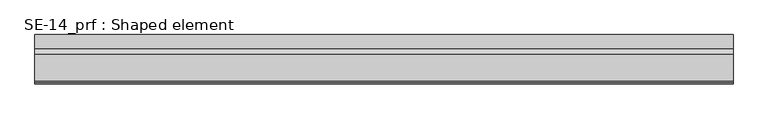
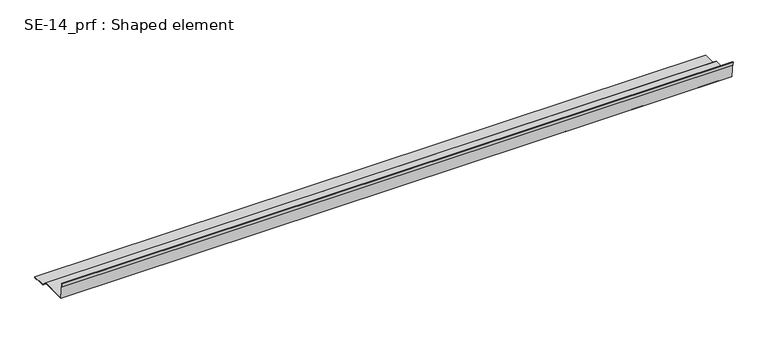
"""IFC4 building model written with IfcOpenShell, lengths in millimetres: proxy geometry, SE-14_prf : Shaped element."""

from ifc_helpers import new_model, si_unit, frame, origin, place, context, project, spatial, polyline, outline, extrude, source, transform, mapped, element, save


def se_14_prf_shaped_element_f2c771f6(model_context):
    return source(origin(), model_context, "Body", "SweptSolid", [
        extrude(outline(polyline([(105.2470073, 2.0), (95.2470073, 2.0), (95.2470073, 3.0), (104.2470073, 3.0), (104.2470073, 4.0), (64.8486151, 4.0), (49.1700893, 18.8492424), (-30.8822053, 18.8492424), (-36.0982178, 68.4762868), (-37.0927397, 68.3717584), (-36.1519836, 59.4210613), (-37.1465055, 59.3165328), (-38.1917901, 69.2617518), (-35.2082244, 69.5753372), (-29.9818012, 19.8492424), (49.5866553, 19.8492424), (65.2470073, 5.0), (105.2470073, 5.0), (105.2470073, 2.0)])), frame((0.0, 0.0, 0.0), z_axis=(1.0, 0.0, 0.0), x_axis=(0.0, 1.0, 0.0)), (0.0, 0.0, 1.0), 2025.0),
    ])


if __name__ == "__main__":
    model = new_model("IFC4")
    model_context = context("Model", 3, world=origin())
    ifc_project = project(units=[si_unit("LENGTHUNIT", "METRE", prefix="MILLI")], contexts=[model_context])
    site = spatial("IfcSite", under=ifc_project)
    building = spatial("IfcBuilding", under=site)
    placement = place(None, origin())
    se_14_prf_shaped_element_shape = se_14_prf_shaped_element_f2c771f6(model_context)
    element("IfcBuildingElementProxy", 1, Name="SE-14_prf : Shaped element", ObjectType="SE-14_prf : Shaped element", at=placement, inside=building, context=model_context, shape_type="MappedRepresentation", body=[
        mapped(se_14_prf_shaped_element_shape, transform((0.0, 0.0, 0.0), x_axis=(1.0, 0.0, 0.0), y_axis=(0.0, 1.0, 0.0), z_axis=(0.0, 0.0, 1.0))),
    ])
    save(model, "model.ifc")
